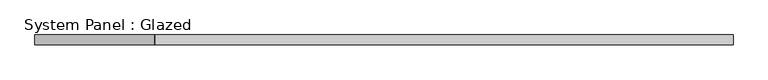
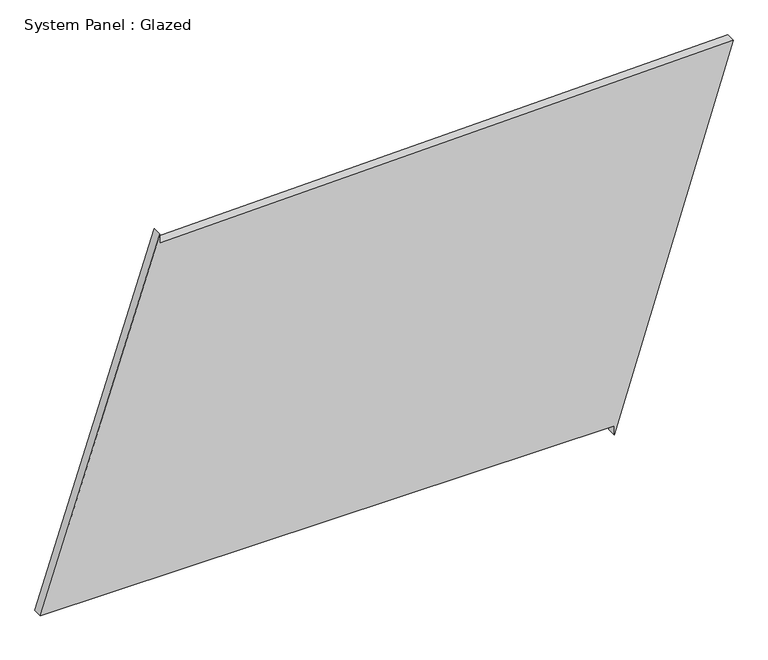
"""IFC4 building model written with IfcOpenShell, lengths in millimetres: plate geometry, System Panel : Glazed."""

from ifc_helpers import new_model, si_unit, frame, origin, place, context, project, spatial, polyline, outline, extrude, source, transform, mapped, element, save


def system_panel_glazed_407fdf86(model_context):
    return source(origin(), model_context, "Body", "SweptSolid", [
        extrude(outline(polyline([(25.0, 587.2485867), (0.0, 587.2485867), (970.3096138, 894.0984656), (935.0790176, -586.0082473), (960.0719385, -586.6031473), (25.0, -894.0984656), (25.0, 587.2485867)])), frame((0.0, -49.5, 0.0), z_axis=(0.0, 1.0, 0.0), x_axis=(0.0, 0.0, 1.0)), (0.0, 0.0, 1.0), 25.0),
    ])


if __name__ == "__main__":
    model = new_model("IFC4")
    model_context = context("Model", 3, world=origin())
    ifc_project = project(units=[si_unit("LENGTHUNIT", "METRE", prefix="MILLI")], contexts=[model_context])
    site = spatial("IfcSite", under=ifc_project)
    building = spatial("IfcBuilding", under=site)
    placement = place(None, origin())
    system_panel_glazed_shape = system_panel_glazed_407fdf86(model_context)
    element("IfcPlate", 1, ObjectType="System Panel : Glazed", at=placement, inside=building, context=model_context, shape_type="MappedRepresentation", body=[
        mapped(system_panel_glazed_shape, transform((0.0, 0.0, 0.0), x_axis=(1.0, 0.0, 0.0), y_axis=(0.0, 1.0, 0.0), z_axis=(0.0, 0.0, 1.0))),
    ])
    save(model, "model.ifc")
